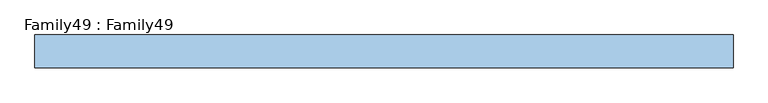
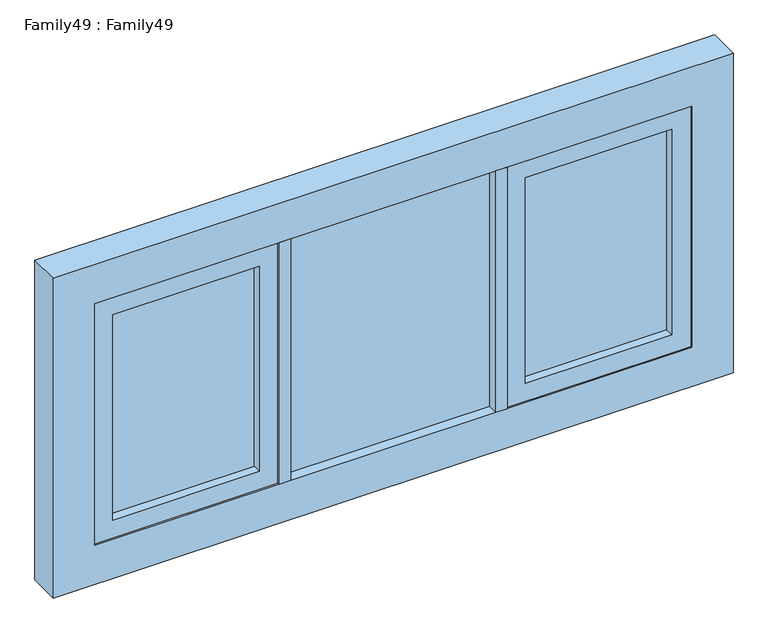
"""IFC4 building model written with IfcOpenShell, lengths in millimetres: window geometry, Family49 : Family49."""

from ifc_helpers import new_model, si_unit, frame, origin, place, context, project, spatial, polyline, outline, extrude, source, transform, mapped, element, save


def family49_family49_bdd7a1a1(model_context):
    return source(origin(), model_context, "Body", "SweptSolid", [
        extrude(outline(polyline([(270.0, 14.0), (270.0, 10.0), (-270.0, 10.0), (-270.0, 14.0), (270.0, 14.0)])), frame((0.0, 0.0, 909.0), z_axis=(0.0, 0.0, 1.0), x_axis=(1.0, 0.0, 0.0)), (0.0, 0.0, 1.0), 672.0),
        extrude(outline(polyline([(-270.0, -10.0), (270.0, -10.0), (270.0, -14.0), (-270.0, -14.0), (-270.0, -10.0)])), frame((0.0, 0.0, 909.0), z_axis=(0.0, 0.0, 1.0), x_axis=(1.0, 0.0, 0.0)), (0.0, 0.0, 1.0), 672.0),
        extrude(outline(polyline([(-350.0, 14.0), (-350.0, 10.0), (-736.0, 10.0), (-736.0, 14.0), (-350.0, 14.0)])), frame((0.0, 0.0, 959.0), z_axis=(0.0, 0.0, 1.0), x_axis=(1.0, 0.0, 0.0)), (0.0, 0.0, 1.0), 572.0),
        extrude(outline(polyline([(-350.0, -10.0), (-350.0, -14.0), (-736.0, -14.0), (-736.0, -10.0), (-350.0, -10.0)])), frame((0.0, 0.0, 959.0), z_axis=(0.0, 0.0, 1.0), x_axis=(1.0, 0.0, 0.0)), (0.0, 0.0, 1.0), 572.0),
        extrude(outline(polyline([(736.0, 14.0), (736.0, 10.0), (350.0, 10.0), (350.0, 14.0), (736.0, 14.0)])), frame((0.0, 0.0, 959.0), z_axis=(0.0, 0.0, 1.0), x_axis=(1.0, 0.0, 0.0)), (0.0, 0.0, 1.0), 572.0),
        extrude(outline(polyline([(350.0, -10.0), (736.0, -10.0), (736.0, -14.0), (350.0, -14.0), (350.0, -10.0)])), frame((0.0, 0.0, 959.0), z_axis=(0.0, 0.0, 1.0), x_axis=(1.0, 0.0, 0.0)), (0.0, 0.0, 1.0), 572.0),
        extrude(outline(polyline([(300.0, -42.0), (270.0, -42.0), (270.0, 42.0), (300.0, 42.0), (300.0, -42.0)])), frame((0.0, 0.0, 909.0), z_axis=(0.0, 0.0, 1.0), x_axis=(1.0, 0.0, 0.0)), (0.0, 0.0, 1.0), 672.0),
        extrude(outline(polyline([(-270.0, -42.0), (-300.0, -42.0), (-300.0, 42.0), (-270.0, 42.0), (-270.0, -42.0)])), frame((0.0, 0.0, 909.0), z_axis=(0.0, 0.0, 1.0), x_axis=(1.0, 0.0, 0.0)), (0.0, 0.0, 1.0), 672.0),
        extrude(outline(polyline([(1581.0, 302.1746006), (909.0, 302.1746006), (909.0, 786.0), (1581.0, 786.0), (1581.0, 302.1746006)]), holes=[polyline([(959.0, 350.0), (1531.0, 350.0), (1531.0, 736.0), (959.0, 736.0), (959.0, 350.0)])]), frame((0.0, -38.0, 0.0), z_axis=(0.0, 1.0, 0.0), x_axis=(0.0, 0.0, 1.0)), (0.0, 0.0, 1.0), 76.0),
        extrude(outline(polyline([(1581.0, -302.7270659), (1581.0, -786.0), (909.0, -786.0), (909.0, -302.7270659), (1581.0, -302.7270659)]), holes=[polyline([(959.0, -350.0), (959.0, -736.0), (1531.0, -736.0), (1531.0, -350.0), (959.0, -350.0)])]), frame((0.0, -38.0, 0.0), z_axis=(0.0, 1.0, 0.0), x_axis=(0.0, 0.0, 1.0)), (0.0, 0.0, 1.0), 76.0),
        extrude(outline(polyline([(1690.0, 895.0), (1690.0, -895.0), (800.0, -895.0), (800.0, 895.0), (1690.0, 895.0)]), holes=[polyline([(909.0, 786.0), (909.0, -786.0), (1581.0, -786.0), (1581.0, 786.0), (909.0, 786.0)])]), frame((0.0, -42.0, 0.0), z_axis=(0.0, 1.0, 0.0), x_axis=(0.0, 0.0, 1.0)), (0.0, 0.0, 1.0), 84.0),
    ])


if __name__ == "__main__":
    model = new_model("IFC4")
    model_context = context("Model", 3, world=origin())
    ifc_project = project(units=[si_unit("LENGTHUNIT", "METRE", prefix="MILLI")], contexts=[model_context])
    site = spatial("IfcSite", under=ifc_project)
    building = spatial("IfcBuilding", under=site)
    placement = place(None, origin())
    family49_family49_shape = family49_family49_bdd7a1a1(model_context)
    element("IfcWindow", 1, ObjectType="Family49 : Family49", at=placement, inside=building, context=model_context, shape_type="MappedRepresentation", body=[
        mapped(family49_family49_shape, transform((0.0, 0.0, 0.0), x_axis=(1.0, 0.0, 0.0), y_axis=(0.0, 1.0, 0.0), z_axis=(0.0, 0.0, 1.0))),
    ])
    save(model, "model.ifc")
